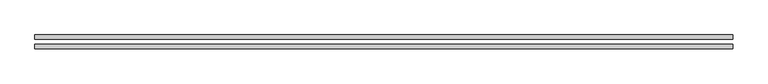
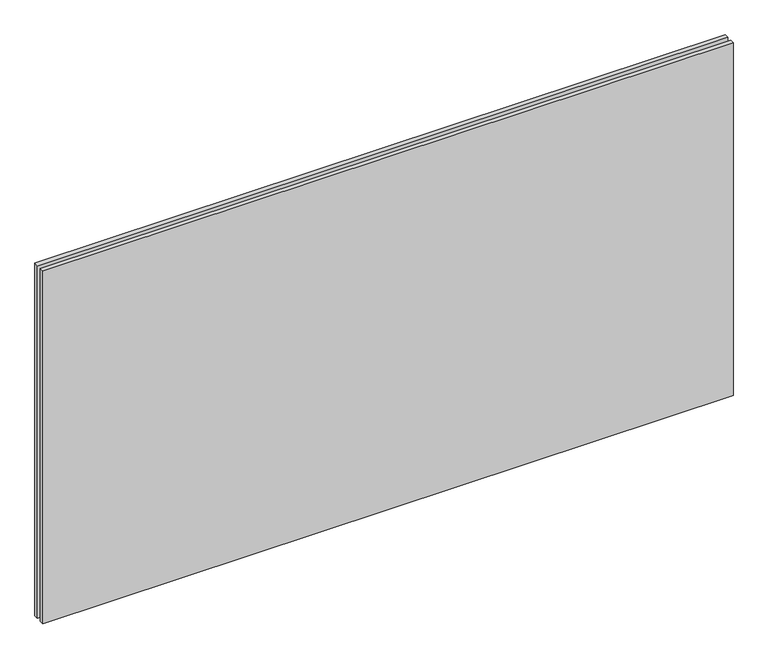
"""IFC4 building model written with IfcOpenShell, lengths in millimetres: plate geometry."""

from ifc_helpers import new_model, si_unit, origin, origin_with_axes, place, context, project, spatial, polyline, outline, extrude, source, transform, mapped, element, save


def plate_30ef652a(model_context):
    return source(origin(), model_context, "Body", "SweptSolid", [
        extrude(outline(polyline([(620.0, -40.8), (-620.0, -40.8), (-620.0, -32.8), (620.0, -32.8), (620.0, -40.8)])), origin_with_axes(), (0.0, 0.0, 1.0), 670.0),
        extrude(outline(polyline([(620.0, -23.8), (-620.0, -23.8), (-620.0, -15.8), (620.0, -15.8), (620.0, -23.8)])), origin_with_axes(), (0.0, 0.0, 1.0), 670.0),
    ])


if __name__ == "__main__":
    model = new_model("IFC4")
    model_context = context("Model", 3, world=origin())
    ifc_project = project(units=[si_unit("LENGTHUNIT", "METRE", prefix="MILLI")], contexts=[model_context])
    site = spatial("IfcSite", under=ifc_project)
    building = spatial("IfcBuilding", under=site)
    placement = place(None, origin())
    plate_shape = plate_30ef652a(model_context)
    element("IfcPlate", 1, at=placement, inside=building, context=model_context, shape_type="MappedRepresentation", body=[
        mapped(plate_shape, transform((0.0, 0.0, 0.0), x_axis=(1.0, 0.0, 0.0), y_axis=(0.0, 1.0, 0.0), z_axis=(0.0, 0.0, 1.0))),
    ])
    save(model, "model.ifc")
